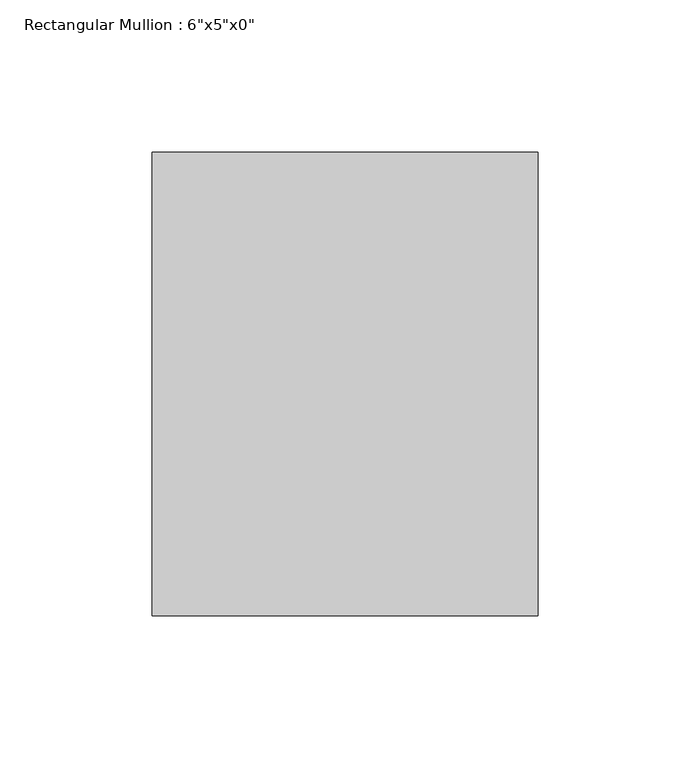
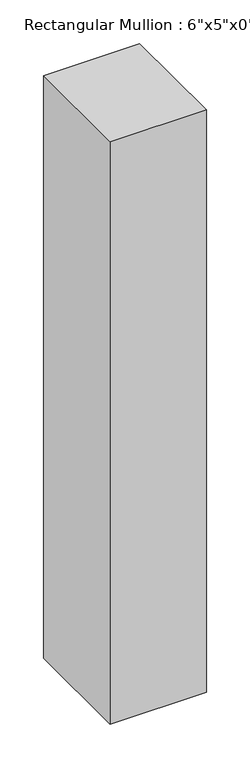
"""IFC4 building model written with IfcOpenShell, lengths in millimetres: member geometry."""

from ifc_helpers import new_model, si_unit, frame, origin, place, context, project, spatial, polyline, outline, extrude, source, transform, mapped, element, save


def member_99fc6042(model_context):
    return source(origin(), model_context, "Body", "SweptSolid", [
        extrude(outline(polyline([(0.0, 76.2), (0.0, -76.2), (-127.0, -76.2), (-127.0, 76.2), (0.0, 76.2)])), frame((0.0, 0.0, -812.8), z_axis=(0.0, 0.0, 1.0), x_axis=(1.0, 0.0, 0.0)), (0.0, 0.0, 1.0), 812.8),
    ])


if __name__ == "__main__":
    model = new_model("IFC4")
    model_context = context("Model", 3, world=origin())
    ifc_project = project(units=[si_unit("LENGTHUNIT", "METRE", prefix="MILLI")], contexts=[model_context])
    site = spatial("IfcSite", under=ifc_project)
    building = spatial("IfcBuilding", under=site)
    placement = place(None, origin())
    member_shape = member_99fc6042(model_context)
    element("IfcMember", 1, ObjectType="Rectangular Mullion : 6\"x5\"x0\"", at=placement, inside=building, context=model_context, shape_type="MappedRepresentation", body=[
        mapped(member_shape, transform((0.0, 0.0, 0.0), x_axis=(1.0, 0.0, 0.0), y_axis=(0.0, 1.0, 0.0), z_axis=(0.0, 0.0, 1.0))),
    ])
    save(model, "model.ifc")
